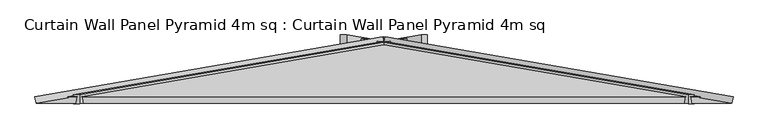
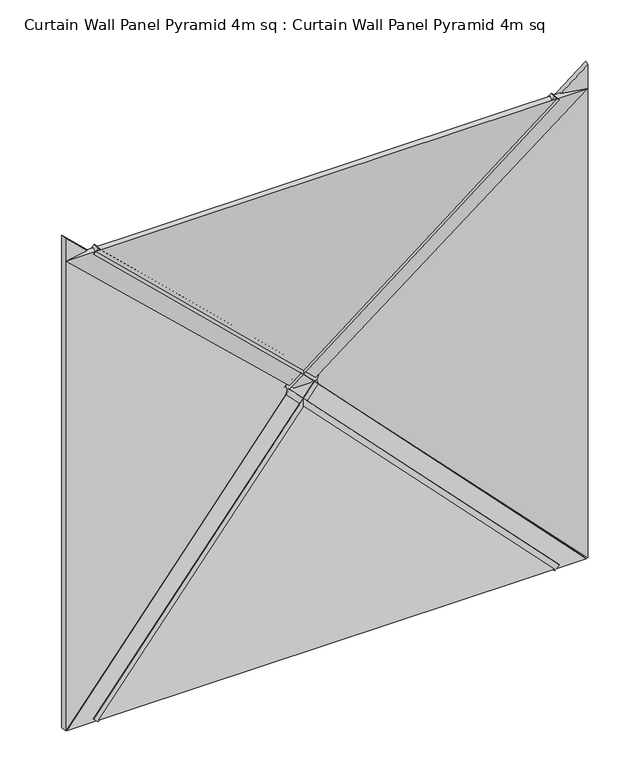
"""IFC4 building model written with IfcOpenShell, lengths in millimetres: plate geometry, Curtain Wall Panel Pyramid 4m sq : Curtain Wall Panel Pyramid 4m sq."""

from ifc_helpers import new_model, si_unit, frame, origin, place, context, project, spatial, polyline, outline, extrude, source, transform, mapped, element, save


def curtain_wall_panel_pyramid_4m_sq_curtain_wall_panel_pyramid_cbec09ce(model_context):
    return source(origin(), model_context, "Body", "SweptSolid", [
        extrude(outline(polyline([(-25.0, 0.0), (25.0, 0.0), (-319.5008531, -2828.2124727), (-369.5008531, -2828.2124727), (-25.0, 0.0)])), frame((1749.8223305, 25.0, -17.6776695), z_axis=(0.7071067811865489, 0.0, 0.7071067811865462), x_axis=(0.0, -1.0, 0.0)), (0.0, 0.0, 1.0), 50.0),
        extrude(outline(polyline([(-25.0, 0.0), (25.0, 0.0), (369.5008531, -2828.2124727), (319.5008531, -2828.2124727), (-25.0, 0.0)])), frame((-1749.8223305, 25.0, -17.6776695), z_axis=(-0.7071067811865476, 0.0, 0.7071067811865476), x_axis=(0.0, 1.0, 0.0)), (0.0, 0.0, 1.0), 50.0),
        extrude(outline(polyline([(-25.0, 0.0), (25.0, 0.0), (369.5008531, -2828.2124727), (319.5008531, -2828.2124727), (-25.0, 0.0)])), frame((-1785.1776695, 25.0, 3782.3223305), z_axis=(0.7071067811865488, 0.0, 0.7071067811865464), x_axis=(0.0, 1.0, 0.0)), (0.0, 0.0, 1.0), 50.0),
        extrude(outline(polyline([(-25.0, 0.0), (25.0, 0.0), (-319.5008531, -2828.2124727), (-369.5008531, -2828.2124727), (-25.0, 0.0)])), frame((1785.1776695, 25.0, 3782.3223305), z_axis=(-0.7071067811865472, 0.0, 0.7071067811865479), x_axis=(0.0, -1.0, 0.0)), (0.0, 0.0, 1.0), 50.0),
        extrude(outline(polyline([(1993.2098768, -1014.7271131), (-2.1709376, 1016.8143409), (3988.5906912, 1016.8143409), (1993.2098768, -1014.7271131)])), frame((1000.0, 172.8335872, 0.0), z_axis=(0.16975307948003834, 0.9854866270056859, 0.0), x_axis=(0.0, 0.0, 1.0)), (0.0, 0.0, 1.0), 40.0),
        extrude(outline(polyline([(0.0, -1014.7271131), (-1991.3928218, 1012.7540773), (1991.3928218, 1012.7540773), (0.0, -1014.7271131)])), frame((0.0, 212.2530523, 986.4197536), z_axis=(0.0, -0.9854866270056859, 0.16975307948003834), x_axis=(-1.0, 0.0, 0.0)), (0.0, 0.0, 1.0), 40.0),
        extrude(outline(polyline([(1993.2098768, 1014.7271131), (3986.6374086, -1014.8256606), (-0.217655, -1014.8256606), (1993.2098768, 1014.7271131)])), frame((-1000.0, 172.8335872, 0.0), z_axis=(-0.16975307948003834, 0.9854866270056859, 0.0), x_axis=(0.0, 0.0, 1.0)), (0.0, 0.0, 1.0), 40.0),
        extrude(outline(polyline([(1996.304868, -1017.8221042), (-1996.2959025, -1017.8221042), (2.4233431, 976.0594205), (1996.304868, -1017.8221042)])), frame((0.0, 172.8335872, 2793.2098768), z_axis=(0.0, 0.9854866270056859, 0.16975307948003832), x_axis=(1.0, 0.0, 0.0)), (0.0, 0.0, 1.0), 40.0),
    ])


if __name__ == "__main__":
    model = new_model("IFC4")
    model_context = context("Model", 3, world=origin())
    ifc_project = project(units=[si_unit("LENGTHUNIT", "METRE", prefix="MILLI")], contexts=[model_context])
    site = spatial("IfcSite", under=ifc_project)
    building = spatial("IfcBuilding", under=site)
    placement = place(None, origin())
    curtain_wall_panel_pyramid_4m_sq_curtain_wall_panel_pyramid_shape = curtain_wall_panel_pyramid_4m_sq_curtain_wall_panel_pyramid_cbec09ce(model_context)
    element("IfcPlate", 1, ObjectType="Curtain Wall Panel Pyramid 4m sq : Curtain Wall Panel Pyramid 4m sq", at=placement, inside=building, context=model_context, shape_type="MappedRepresentation", body=[
        mapped(curtain_wall_panel_pyramid_4m_sq_curtain_wall_panel_pyramid_shape, transform((0.0, 0.0, 0.0), x_axis=(1.0, 0.0, 0.0), y_axis=(0.0, 1.0, 0.0), z_axis=(0.0, 0.0, 1.0))),
    ])
    save(model, "model.ifc")
